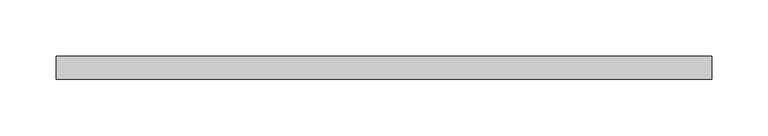
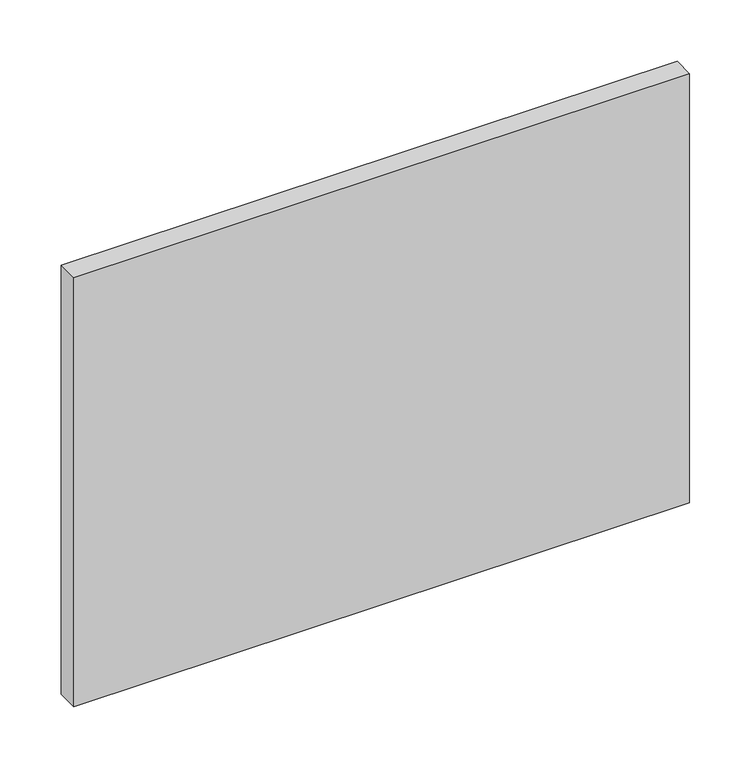
"""IFC4 building model written with IfcOpenShell, lengths in millimetres: plate geometry."""

from ifc_helpers import new_model, si_unit, origin, origin_with_axes, place, context, project, spatial, polyline, outline, extrude, source, transform, mapped, element, save


def plate_83b0bd83(model_context):
    return source(origin(), model_context, "Body", "SweptSolid", [
        extrude(outline(polyline([(290.0, -90.0), (-290.0, -90.0), (-290.0, -70.0), (290.0, -70.0), (290.0, -90.0)])), origin_with_axes(), (0.0, 0.0, 1.0), 426.9310345),
    ])


if __name__ == "__main__":
    model = new_model("IFC4")
    model_context = context("Model", 3, world=origin())
    ifc_project = project(units=[si_unit("LENGTHUNIT", "METRE", prefix="MILLI")], contexts=[model_context])
    site = spatial("IfcSite", under=ifc_project)
    building = spatial("IfcBuilding", under=site)
    placement = place(None, origin())
    plate_shape = plate_83b0bd83(model_context)
    element("IfcPlate", 1, at=placement, inside=building, context=model_context, shape_type="MappedRepresentation", body=[
        mapped(plate_shape, transform((0.0, 0.0, 0.0), x_axis=(1.0, 0.0, 0.0), y_axis=(0.0, 1.0, 0.0), z_axis=(0.0, 0.0, 1.0))),
    ])
    save(model, "model.ifc")
